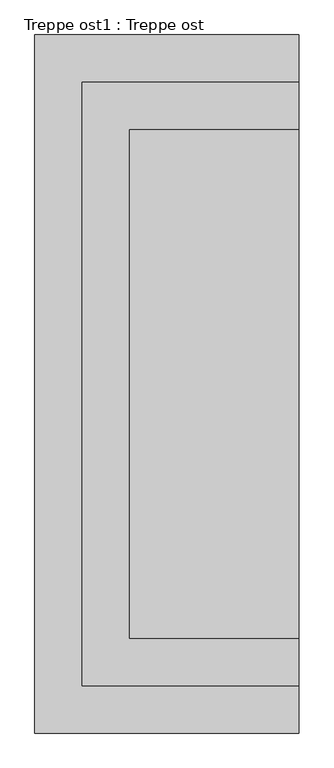
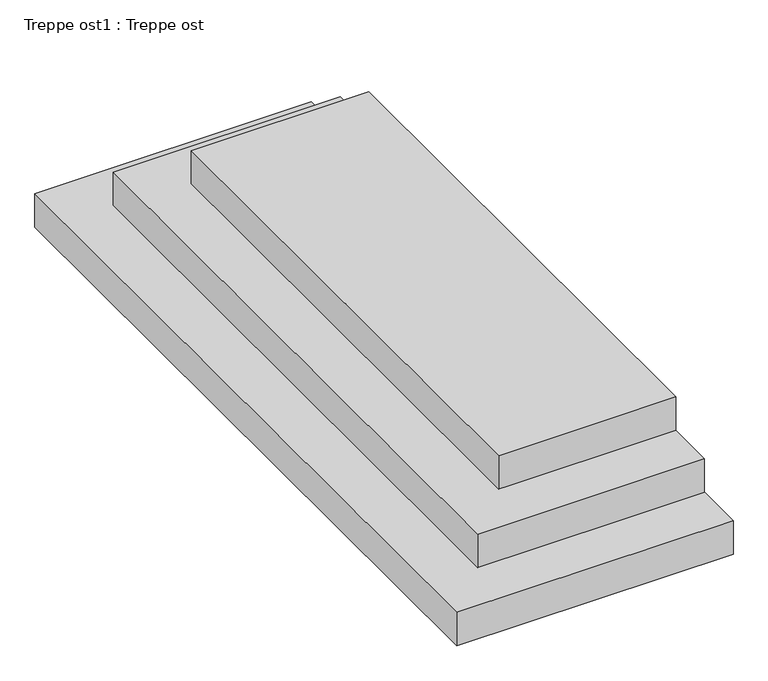
"""IFC4 building model written with IfcOpenShell, lengths in millimetres: stair geometry, Treppe ost1 : Treppe ost."""

from ifc_helpers import new_model, si_unit, frame, origin, place, context, project, spatial, polyline, outline, extrude, source, transform, mapped, element, save


def treppe_ost1_treppe_ost_524cac34(model_context):
    return source(origin(), model_context, "Body", "SweptSolid", [
        extrude(outline(polyline([(6190.0, 16250.0), (7190.0, 16250.0), (7190.0, 13250.0), (6190.0, 13250.0), (6190.0, 16250.0)])), frame((0.0, 0.0, -200.0), z_axis=(0.0, 0.0, 1.0), x_axis=(1.0, 0.0, 0.0)), (0.0, 0.0, 1.0), 200.0),
        extrude(outline(polyline([(5910.0, 16530.0), (7190.0, 16530.0), (7190.0, 12970.0), (5910.0, 12970.0), (5910.0, 16530.0)])), frame((0.0, 0.0, -400.0), z_axis=(0.0, 0.0, 1.0), x_axis=(1.0, 0.0, 0.0)), (0.0, 0.0, 1.0), 200.0),
        extrude(outline(polyline([(5630.0, 12690.0), (5630.0, 16810.0), (7190.0, 16810.0), (7190.0, 12690.0), (5630.0, 12690.0)])), frame((0.0, 0.0, -600.0), z_axis=(0.0, 0.0, 1.0), x_axis=(1.0, 0.0, 0.0)), (0.0, 0.0, 1.0), 200.0),
    ])


if __name__ == "__main__":
    model = new_model("IFC4")
    model_context = context("Model", 3, world=origin())
    ifc_project = project(units=[si_unit("LENGTHUNIT", "METRE", prefix="MILLI")], contexts=[model_context])
    site = spatial("IfcSite", under=ifc_project)
    building = spatial("IfcBuilding", under=site)
    placement = place(None, origin())
    treppe_ost1_treppe_ost_shape = treppe_ost1_treppe_ost_524cac34(model_context)
    element("IfcStair", 1, ObjectType="Treppe ost1 : Treppe ost", at=placement, inside=building, context=model_context, shape_type="MappedRepresentation", body=[
        mapped(treppe_ost1_treppe_ost_shape, transform((0.0, 0.0, 0.0), x_axis=(1.0, 0.0, 0.0), y_axis=(0.0, 1.0, 0.0), z_axis=(0.0, 0.0, 1.0))),
    ])
    save(model, "model.ifc")
